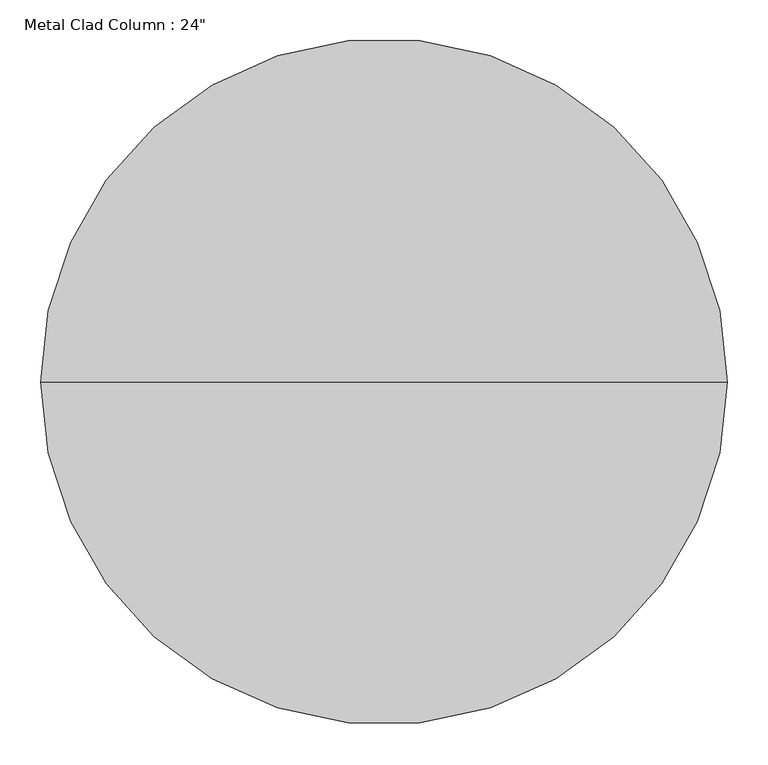
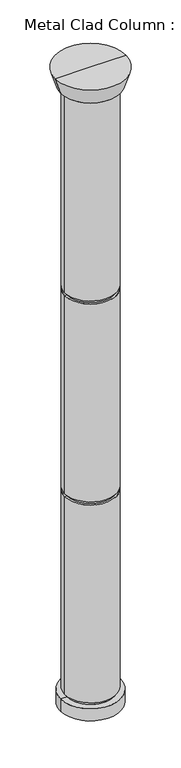
"""IFC4 building model written with IfcOpenShell, lengths in millimetres: column geometry."""

from ifc_helpers import new_model, si_unit, frame, origin, place, context, project, spatial, polyline, circle_curve, source, transform, mapped, element, save
from ifc_brep_helpers import plane_surface, cylinder_surface, revolved_surface, advanced_brep


def column_5d0148c4(model_context):
    return source(origin(), model_context, "Body", "AdvancedBrep", [
        advanced_brep(
        [(0.0, 0.0, 0.0), (-355.6, 0.0, 0.0), (355.6, 0.0, 0.0), (-355.6, 0.0, 152.4), (355.6, 0.0, 152.4), (279.4, 0.0, 2700.8666667), (-279.4, 0.0, 2700.8666667), (-304.8, 0.0, 2700.8666667), (304.8, 0.0, 2700.8666667), (-304.8, 0.0, 5173.1333333), (304.8, 0.0, 5173.1333333), (279.4, 0.0, 2662.7666667), (-279.4, 0.0, 2662.7666667), (304.8, 0.0, 2662.7666667), (-304.8, 0.0, 2662.7666667), (304.8, 0.0, 190.5), (-304.8, 0.0, 190.5), (279.4, 0.0, 190.5), (-279.4, 0.0, 190.5), (279.4, 0.0, 152.4), (-279.4, 0.0, 152.4), (355.6, 0.0, 7721.6), (-355.6, 0.0, 7721.6), (-419.1, 0.0, 7924.8), (419.1, 0.0, 7924.8), (0.0, 0.0, 7924.8), (279.4, 0.0, 7721.6), (-279.4, 0.0, 7721.6), (279.4, 0.0, 7683.5), (-279.4, 0.0, 7683.5), (304.8, 0.0, 7683.5), (-304.8, 0.0, 7683.5), (304.8, 0.0, 5211.2333333), (-304.8, 0.0, 5211.2333333), (279.4, 0.0, 5211.2333333), (-279.4, 0.0, 5211.2333333), (279.4, 0.0, 5173.1333333), (-279.4, 0.0, 5173.1333333)],
        [
            (0, 1),
            (1, 2, circle_curve(frame((0.0, 0.0, 0.0), z_axis=(0.0, 0.0, -1.0), x_axis=(-1.0, 0.0, 0.0)), 355.6)),
            (2, 0),
            (2, 1, circle_curve(frame((0.0, 0.0, 0.0), z_axis=(0.0, 0.0, -1.0), x_axis=(-1.0, 0.0, 0.0)), 355.6)),
            (1, 3),
            (3, 4, circle_curve(frame((0.0, 0.0, 152.4), z_axis=(0.0, 0.0, -1.0), x_axis=(-1.0, 0.0, 0.0)), 355.6)),
            (4, 2),
            (4, 3, circle_curve(frame((0.0, 0.0, 152.4), z_axis=(0.0, 0.0, -1.0), x_axis=(-1.0, 0.0, 0.0)), 355.6)),
            (5, 6, circle_curve(frame((0.0, 0.0, 2700.8666667), z_axis=(0.0, 0.0, 1.0), x_axis=(-1.0, 0.0, 0.0)), 279.4)),
            (6, 7),
            (7, 8, circle_curve(frame((0.0, 0.0, 2700.8666667), z_axis=(0.0, 0.0, -1.0), x_axis=(-1.0, 0.0, 0.0)), 304.8)),
            (8, 5),
            (7, 9),
            (9, 10, circle_curve(frame((0.0, 0.0, 5173.1333333), z_axis=(0.0, 0.0, -1.0), x_axis=(-1.0, 0.0, 0.0)), 304.8)),
            (10, 8),
            (7, 8, circle_curve(frame((0.0, 0.0, 2700.8666667), z_axis=(0.0, 0.0, 1.0), x_axis=(-1.0, 0.0, 0.0)), 304.8)),
            (10, 9, circle_curve(frame((0.0, 0.0, 5173.1333333), z_axis=(0.0, 0.0, -1.0), x_axis=(-1.0, 0.0, 0.0)), 304.8)),
            (6, 5, circle_curve(frame((0.0, 0.0, 2700.8666667), z_axis=(0.0, 0.0, 1.0), x_axis=(-1.0, 0.0, 0.0)), 279.4)),
            (11, 12, circle_curve(frame((0.0, 0.0, 2662.7666667), z_axis=(0.0, 0.0, 1.0), x_axis=(-1.0, 0.0, 0.0)), 279.4)),
            (12, 6),
            (5, 11),
            (12, 11, circle_curve(frame((0.0, 0.0, 2662.7666667), z_axis=(0.0, 0.0, 1.0), x_axis=(-1.0, 0.0, 0.0)), 279.4)),
            (13, 14, circle_curve(frame((0.0, 0.0, 2662.7666667), z_axis=(0.0, 0.0, 1.0), x_axis=(-1.0, 0.0, 0.0)), 304.8)),
            (14, 12),
            (11, 13),
            (14, 13, circle_curve(frame((0.0, 0.0, 2662.7666667), z_axis=(0.0, 0.0, 1.0), x_axis=(-1.0, 0.0, 0.0)), 304.8)),
            (15, 16, circle_curve(frame((0.0, 0.0, 190.5), z_axis=(0.0, 0.0, 1.0), x_axis=(-1.0, 0.0, 0.0)), 304.8)),
            (16, 14),
            (13, 15),
            (16, 15, circle_curve(frame((0.0, 0.0, 190.5), z_axis=(0.0, 0.0, 1.0), x_axis=(-1.0, 0.0, 0.0)), 304.8)),
            (17, 18, circle_curve(frame((0.0, 0.0, 190.5), z_axis=(0.0, 0.0, 1.0), x_axis=(-1.0, 0.0, 0.0)), 279.4)),
            (18, 16),
            (15, 17),
            (18, 17, circle_curve(frame((0.0, 0.0, 190.5), z_axis=(0.0, 0.0, 1.0), x_axis=(-1.0, 0.0, 0.0)), 279.4)),
            (19, 20, circle_curve(frame((0.0, 0.0, 152.4), z_axis=(0.0, 0.0, 1.0), x_axis=(-1.0, 0.0, 0.0)), 279.4)),
            (20, 18),
            (17, 19),
            (20, 19, circle_curve(frame((0.0, 0.0, 152.4), z_axis=(0.0, 0.0, 1.0), x_axis=(-1.0, 0.0, 0.0)), 279.4)),
            (3, 20),
            (19, 4),
            (21, 22, circle_curve(frame((0.0, 0.0, 7721.6), z_axis=(0.0, 0.0, 1.0), x_axis=(-1.0, 0.0, 0.0)), 355.6)),
            (22, 23),
            (23, 24, circle_curve(frame((0.0, 0.0, 7924.8), z_axis=(0.0, 0.0, -1.0), x_axis=(-1.0, 0.0, 0.0)), 419.1)),
            (24, 21),
            (23, 25),
            (25, 24),
            (23, 24, circle_curve(frame((0.0, 0.0, 7924.8), z_axis=(0.0, 0.0, 1.0), x_axis=(-1.0, 0.0, 0.0)), 419.1)),
            (22, 21, circle_curve(frame((0.0, 0.0, 7721.6), z_axis=(0.0, 0.0, 1.0), x_axis=(-1.0, 0.0, 0.0)), 355.6)),
            (26, 27, circle_curve(frame((0.0, 0.0, 7721.6), z_axis=(0.0, 0.0, 1.0), x_axis=(-1.0, 0.0, 0.0)), 279.4)),
            (27, 22),
            (21, 26),
            (27, 26, circle_curve(frame((0.0, 0.0, 7721.6), z_axis=(0.0, 0.0, 1.0), x_axis=(-1.0, 0.0, 0.0)), 279.4)),
            (28, 29, circle_curve(frame((0.0, 0.0, 7683.5), z_axis=(0.0, 0.0, 1.0), x_axis=(-1.0, 0.0, 0.0)), 279.4)),
            (29, 27),
            (26, 28),
            (29, 28, circle_curve(frame((0.0, 0.0, 7683.5), z_axis=(0.0, 0.0, 1.0), x_axis=(-1.0, 0.0, 0.0)), 279.4)),
            (30, 31, circle_curve(frame((0.0, 0.0, 7683.5), z_axis=(0.0, 0.0, 1.0), x_axis=(-1.0, 0.0, 0.0)), 304.8)),
            (31, 29),
            (28, 30),
            (31, 30, circle_curve(frame((0.0, 0.0, 7683.5), z_axis=(0.0, 0.0, 1.0), x_axis=(-1.0, 0.0, 0.0)), 304.8)),
            (32, 33, circle_curve(frame((0.0, 0.0, 5211.2333333), z_axis=(0.0, 0.0, 1.0), x_axis=(-1.0, 0.0, 0.0)), 304.8)),
            (33, 31),
            (30, 32),
            (33, 32, circle_curve(frame((0.0, 0.0, 5211.2333333), z_axis=(0.0, 0.0, 1.0), x_axis=(-1.0, 0.0, 0.0)), 304.8)),
            (34, 35, circle_curve(frame((0.0, 0.0, 5211.2333333), z_axis=(0.0, 0.0, 1.0), x_axis=(-1.0, 0.0, 0.0)), 279.4)),
            (35, 33),
            (32, 34),
            (35, 34, circle_curve(frame((0.0, 0.0, 5211.2333333), z_axis=(0.0, 0.0, 1.0), x_axis=(-1.0, 0.0, 0.0)), 279.4)),
            (36, 37, circle_curve(frame((0.0, 0.0, 5173.1333333), z_axis=(0.0, 0.0, 1.0), x_axis=(-1.0, 0.0, 0.0)), 279.4)),
            (37, 35),
            (34, 36),
            (37, 36, circle_curve(frame((0.0, 0.0, 5173.1333333), z_axis=(0.0, 0.0, 1.0), x_axis=(-1.0, 0.0, 0.0)), 279.4)),
            (9, 37),
            (36, 10),
        ],
        [
            plane_surface(frame((0.0, 0.0, 0.0), z_axis=(0.0, 0.0, -1.0), x_axis=(-1.0, 0.0, 0.0))),
            cylinder_surface(frame((0.0, 0.0, 7924.8), z_axis=(0.0, 0.0, -1.0), x_axis=(-1.0, 0.0, 0.0)), 355.6),
            plane_surface(frame((0.0, 0.0, 2700.8666667), z_axis=(0.0, 0.0, -1.0), x_axis=(-1.0, 0.0, 0.0))),
            cylinder_surface(frame((0.0, 0.0, 7924.8), z_axis=(0.0, 0.0, -1.0), x_axis=(-1.0, 0.0, 0.0)), 304.8),
            cylinder_surface(frame((0.0, 0.0, 7924.8), z_axis=(0.0, 0.0, -1.0), x_axis=(-1.0, 0.0, 0.0)), 279.4),
            plane_surface(frame((0.0, 0.0, 2662.7666667), z_axis=(0.0, 0.0, 1.0), x_axis=(-1.0, 0.0, 0.0))),
            plane_surface(frame((0.0, 0.0, 190.5), z_axis=(0.0, 0.0, -1.0), x_axis=(-1.0, 0.0, 0.0))),
            plane_surface(frame((0.0, 0.0, 152.4), z_axis=(0.0, 0.0, 1.0), x_axis=(-1.0, 0.0, 0.0))),
            revolved_surface(polyline([(-419.1, 0.0, 7924.8), (-355.6, 0.0, 7721.6)]), (0.0, 0.0, 7924.8), (0.0, 0.0, -1.0)),
            plane_surface(frame((0.0, 0.0, 7924.8), z_axis=(0.0, 0.0, 1.0), x_axis=(-1.0, 0.0, 0.0))),
            plane_surface(frame((0.0, 0.0, 7721.6), z_axis=(0.0, 0.0, -1.0), x_axis=(-1.0, 0.0, 0.0))),
            plane_surface(frame((0.0, 0.0, 7683.5), z_axis=(0.0, 0.0, 1.0), x_axis=(-1.0, 0.0, 0.0))),
            plane_surface(frame((0.0, 0.0, 5211.2333333), z_axis=(0.0, 0.0, -1.0), x_axis=(-1.0, 0.0, 0.0))),
            plane_surface(frame((0.0, 0.0, 5173.1333333), z_axis=(0.0, 0.0, 1.0), x_axis=(-1.0, 0.0, 0.0))),
        ],
        [
            (0, [[1, 2, 3]]),
            (0, [[-3, 4, -1]]),
            (1, [[-2, 5, 6, 7]]),
            (1, [[-4, -7, 8, -5]]),
            (2, [[9, 10, 11, 12]]),
            (3, [[-11, 13, 14, 15]]),
            (3, [[16, -15, 17, -13]]),
            (2, [[18, -12, -16, -10]]),
            (4, [[19, 20, -9, 21]]),
            (4, [[22, -21, -18, -20]]),
            (5, [[23, 24, -19, 25]]),
            (5, [[26, -25, -22, -24]]),
            (3, [[27, 28, -23, 29]]),
            (3, [[30, -29, -26, -28]]),
            (6, [[31, 32, -27, 33]]),
            (6, [[34, -33, -30, -32]]),
            (4, [[35, 36, -31, 37]]),
            (4, [[38, -37, -34, -36]]),
            (7, [[-6, 39, -35, 40]]),
            (7, [[-8, -40, -38, -39]]),
            (8, [[41, 42, 43, 44]]),
            (9, [[-43, 45, 46]]),
            (9, [[47, -46, -45]]),
            (8, [[48, -44, -47, -42]]),
            (10, [[49, 50, -41, 51]]),
            (10, [[52, -51, -48, -50]]),
            (4, [[53, 54, -49, 55]]),
            (4, [[56, -55, -52, -54]]),
            (11, [[57, 58, -53, 59]]),
            (11, [[60, -59, -56, -58]]),
            (3, [[61, 62, -57, 63]]),
            (3, [[64, -63, -60, -62]]),
            (12, [[65, 66, -61, 67]]),
            (12, [[68, -67, -64, -66]]),
            (4, [[69, 70, -65, 71]]),
            (4, [[72, -71, -68, -70]]),
            (13, [[-14, 73, -69, 74]]),
            (13, [[-17, -74, -72, -73]]),
        ],
    ),
    ])


if __name__ == "__main__":
    model = new_model("IFC4")
    model_context = context("Model", 3, world=origin())
    ifc_project = project(units=[si_unit("LENGTHUNIT", "METRE", prefix="MILLI")], contexts=[model_context])
    site = spatial("IfcSite", under=ifc_project)
    building = spatial("IfcBuilding", under=site)
    placement = place(None, origin())
    column_shape = column_5d0148c4(model_context)
    element("IfcColumn", 1, ObjectType="Metal Clad Column : 24\"", at=placement, inside=building, context=model_context, shape_type="MappedRepresentation", body=[
        mapped(column_shape, transform((0.0, 0.0, 0.0), x_axis=(1.0, 0.0, 0.0), y_axis=(0.0, 1.0, 0.0), z_axis=(0.0, 0.0, 1.0))),
    ])
    save(model, "model.ifc")
